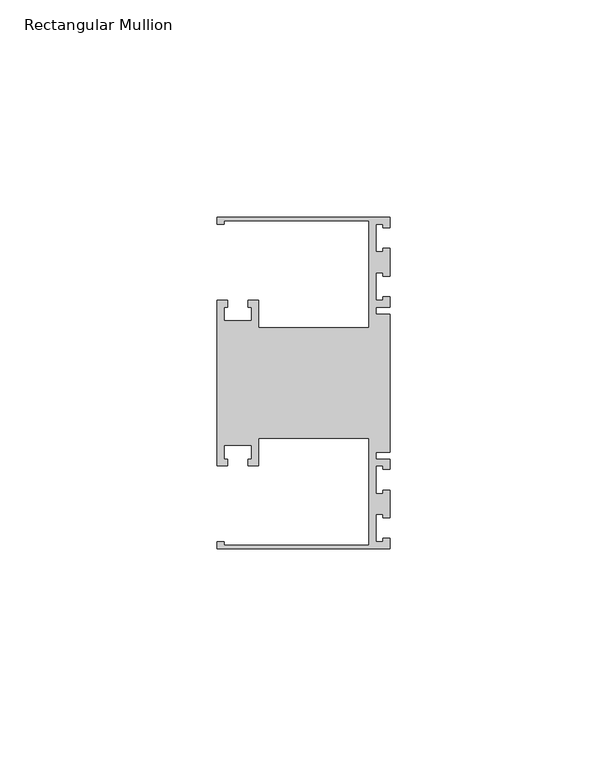
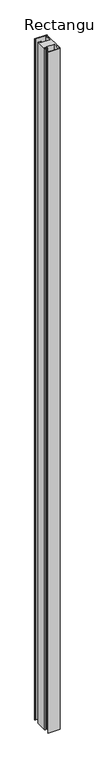
"""IFC4 building model written with IfcOpenShell, lengths in millimetres: member geometry, Rectangular Mullion."""

from ifc_helpers import new_model, si_unit, frame, origin, place, context, project, spatial, polyline, outline, extrude, source, transform, mapped, element, save


def rectangular_mullion_62aa902b(model_context):
    return source(origin(), model_context, "Body", "SweptSolid", [
        extrude(outline(polyline([(0.0, -38.1), (-39.6875, -38.1), (-39.6875, -36.5125), (-38.1, -36.5125), (-38.1, -37.30625), (-4.7625, -37.30625), (-4.7625, -12.7), (-30.1625, -12.7), (-30.1625, -19.05), (-32.54375, -19.05), (-32.54375, -17.4625), (-31.75, -17.4625), (-31.75, -14.2875), (-38.1, -14.2875), (-38.1, -17.4625), (-37.30625, -17.4625), (-37.30625, -19.05), (-39.6875, -19.05), (-39.6875, 19.05), (-37.30625, 19.05), (-37.30625, 17.4625), (-38.1, 17.4625), (-38.1, 14.2875), (-31.75, 14.2875), (-31.75, 17.4625), (-32.54375, 17.4625), (-32.54375, 19.05), (-30.1625, 19.05), (-30.1625, 12.7), (-4.7625, 12.7), (-4.7625, 37.30625), (-38.1, 37.30625), (-38.1, 36.5125), (-39.6875, 36.5125), (-39.6875, 38.1), (0.0, 38.1), (0.0, 35.71875), (-1.4999946, 35.71875), (-1.4999946, 36.5125), (-3.175, 36.5125), (-3.175, 30.1625), (-1.4999946, 30.1625), (-1.4999946, 30.95625), (0.0, 30.95625), (0.0, 24.60625), (-1.4999946, 24.60625), (-1.4999946, 25.4), (-3.175, 25.4), (-3.175, 19.05), (-1.4999946, 19.05), (-1.4999946, 19.84375), (0.0, 19.84375), (0.0, 17.4625), (-3.175, 17.4625), (-3.175, 15.875), (0.0, 15.875), (0.0, -15.875), (-3.175, -15.875), (-3.175, -17.4625), (0.0, -17.4625), (0.0, -19.84375), (-1.4999946, -19.84375), (-1.4999946, -19.05), (-3.175, -19.05), (-3.175, -25.4), (-1.4999946, -25.4), (-1.4999946, -24.60625), (0.0, -24.60625), (0.0, -30.95625), (-1.4999946, -30.95625), (-1.4999946, -30.1625), (-3.175, -30.1625), (-3.175, -36.5125), (-1.4999946, -36.5125), (-1.4999946, -35.71875), (0.0, -35.71875), (0.0, -38.1)])), frame((0.0, 0.0, -2359.025), z_axis=(0.0, 0.0, 1.0), x_axis=(1.0, 0.0, 0.0)), (0.0, 0.0, 1.0), 2359.025),
    ])


if __name__ == "__main__":
    model = new_model("IFC4")
    model_context = context("Model", 3, world=origin())
    ifc_project = project(units=[si_unit("LENGTHUNIT", "METRE", prefix="MILLI")], contexts=[model_context])
    site = spatial("IfcSite", under=ifc_project)
    building = spatial("IfcBuilding", under=site)
    placement = place(None, origin())
    rectangular_mullion_shape = rectangular_mullion_62aa902b(model_context)
    element("IfcMember", 1, ObjectType="Rectangular Mullion", at=placement, inside=building, context=model_context, shape_type="MappedRepresentation", body=[
        mapped(rectangular_mullion_shape, transform((0.0, 0.0, 0.0), x_axis=(1.0, 0.0, 0.0), y_axis=(0.0, 1.0, 0.0), z_axis=(0.0, 0.0, 1.0))),
    ])
    save(model, "model.ifc")
